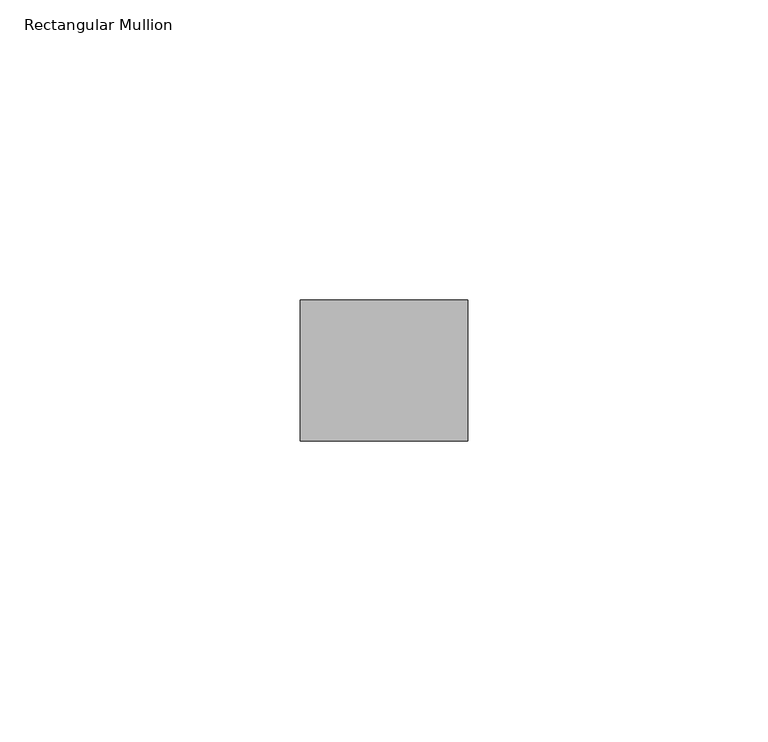
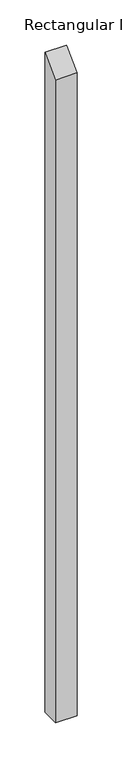
"""IFC4 building model written with IfcOpenShell, lengths in millimetres: member geometry, Rectangular Mullion."""

from ifc_helpers import new_model, si_unit, frame, origin, place, context, project, spatial, polyline, outline, extrude, source, transform, mapped, element, save


def rectangular_mullion_cf947305(model_context):
    return source(origin(), model_context, "Body", "SweptSolid", [
        extrude(outline(polyline([(-11.7474999, -11.7474999), (11.7474999, 11.7474999), (11.7474999, -883.1462331), (-11.7474999, -883.1462331), (-11.7474999, -11.7474999)])), frame((-27.94, 0.0, 0.0), z_axis=(1.0, 0.0, 0.0), x_axis=(0.0, 1.0, 0.0)), (0.0, 0.0, 1.0), 27.94),
    ])


if __name__ == "__main__":
    model = new_model("IFC4")
    model_context = context("Model", 3, world=origin())
    ifc_project = project(units=[si_unit("LENGTHUNIT", "METRE", prefix="MILLI")], contexts=[model_context])
    site = spatial("IfcSite", under=ifc_project)
    building = spatial("IfcBuilding", under=site)
    placement = place(None, origin())
    rectangular_mullion_shape = rectangular_mullion_cf947305(model_context)
    element("IfcMember", 1, ObjectType="Rectangular Mullion", at=placement, inside=building, context=model_context, shape_type="MappedRepresentation", body=[
        mapped(rectangular_mullion_shape, transform((0.0, 0.0, 0.0), x_axis=(1.0, 0.0, 0.0), y_axis=(0.0, 1.0, 0.0), z_axis=(0.0, 0.0, 1.0))),
    ])
    save(model, "model.ifc")
